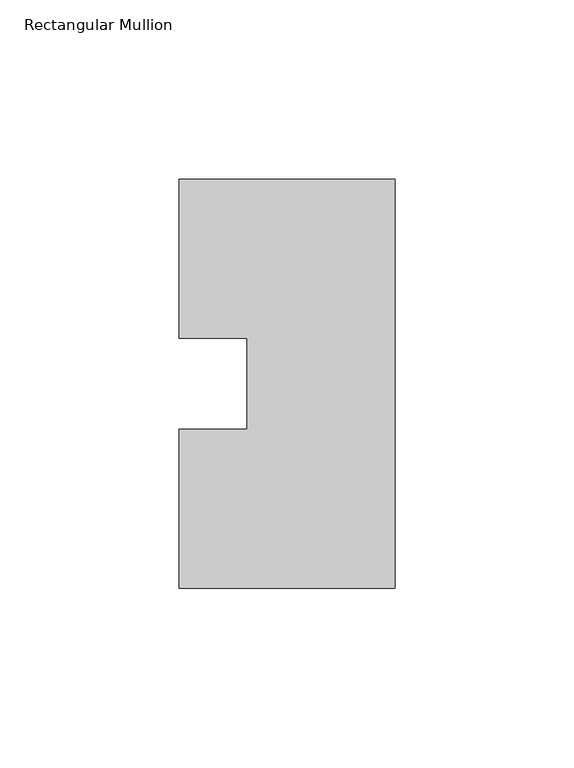
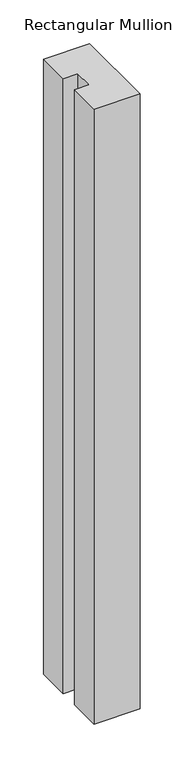
"""IFC4 building model written with IfcOpenShell, lengths in millimetres: member geometry, Rectangular Mullion."""

from ifc_helpers import new_model, si_unit, frame, origin, place, context, project, spatial, polyline, outline, extrude, source, transform, mapped, element, save


def rectangular_mullion_06f79e0b(model_context):
    return source(origin(), model_context, "Body", "SweptSolid", [
        extrude(outline(polyline([(-60.325, 57.15), (0.0, 57.15), (0.0, -57.15), (-60.325, -57.15), (-60.325, -12.7), (-41.275, -12.7), (-41.275, 12.7), (-60.325, 12.7), (-60.325, 57.15)])), frame((0.0, 0.0, -854.075), z_axis=(0.0, 0.0, 1.0), x_axis=(1.0, 0.0, 0.0)), (0.0, 0.0, 1.0), 854.075),
    ])


if __name__ == "__main__":
    model = new_model("IFC4")
    model_context = context("Model", 3, world=origin())
    ifc_project = project(units=[si_unit("LENGTHUNIT", "METRE", prefix="MILLI")], contexts=[model_context])
    site = spatial("IfcSite", under=ifc_project)
    building = spatial("IfcBuilding", under=site)
    placement = place(None, origin())
    rectangular_mullion_shape = rectangular_mullion_06f79e0b(model_context)
    element("IfcMember", 1, ObjectType="Rectangular Mullion", at=placement, inside=building, context=model_context, shape_type="MappedRepresentation", body=[
        mapped(rectangular_mullion_shape, transform((0.0, 0.0, 0.0), x_axis=(1.0, 0.0, 0.0), y_axis=(0.0, 1.0, 0.0), z_axis=(0.0, 0.0, 1.0))),
    ])
    save(model, "model.ifc")
